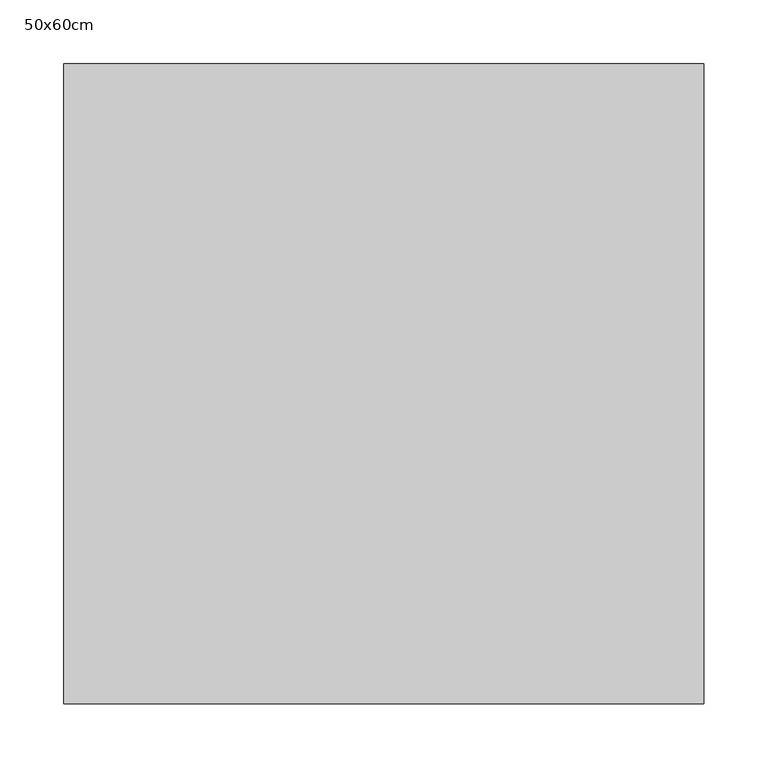
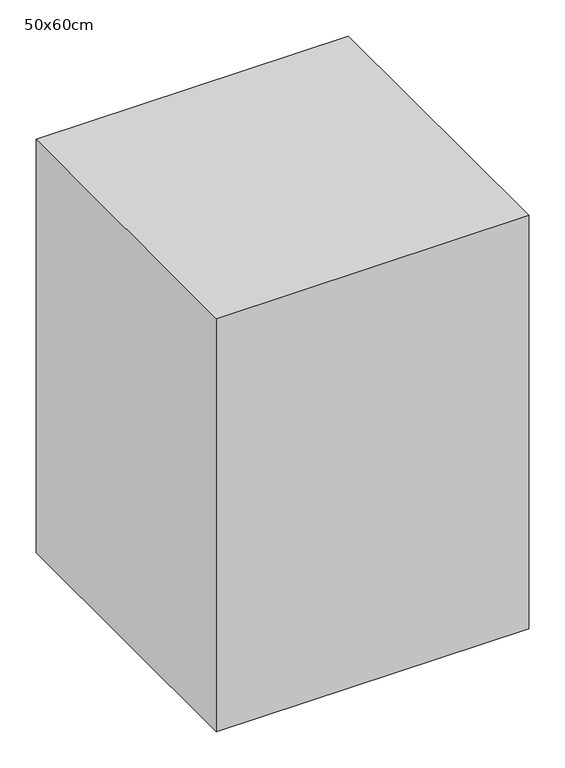
"""IFC4 building model written with IfcOpenShell, lengths in millimetres: proxy geometry, 50x60cm."""

from ifc_helpers import new_model, si_unit, frame, origin, place, context, project, spatial, polyline, outline, extrude, source, transform, mapped, element, save


def proxy_50x60cm_c3b0e357(model_context):
    return source(origin(), model_context, "Body", "SweptSolid", [
        extrude(outline(polyline([(500.0, 500.0), (500.0, 0.0), (0.0, 0.0), (0.0, 500.0), (500.0, 500.0)])), frame((0.0, 0.0, 100.0), z_axis=(0.0, 0.0, 1.0), x_axis=(1.0, 0.0, 0.0)), (0.0, 0.0, 1.0), 700.0),
    ])


if __name__ == "__main__":
    model = new_model("IFC4")
    model_context = context("Model", 3, world=origin())
    ifc_project = project(units=[si_unit("LENGTHUNIT", "METRE", prefix="MILLI")], contexts=[model_context])
    site = spatial("IfcSite", under=ifc_project)
    building = spatial("IfcBuilding", under=site)
    placement = place(None, origin())
    proxy_50x60cm_shape = proxy_50x60cm_c3b0e357(model_context)
    element("IfcBuildingElementProxy", 1, Name="50x60cm", ObjectType="50x60cm", at=placement, inside=building, context=model_context, shape_type="MappedRepresentation", body=[
        mapped(proxy_50x60cm_shape, transform((0.0, 0.0, 0.0), x_axis=(1.0, 0.0, 0.0), y_axis=(0.0, 1.0, 0.0), z_axis=(0.0, 0.0, 1.0))),
    ])
    save(model, "model.ifc")
